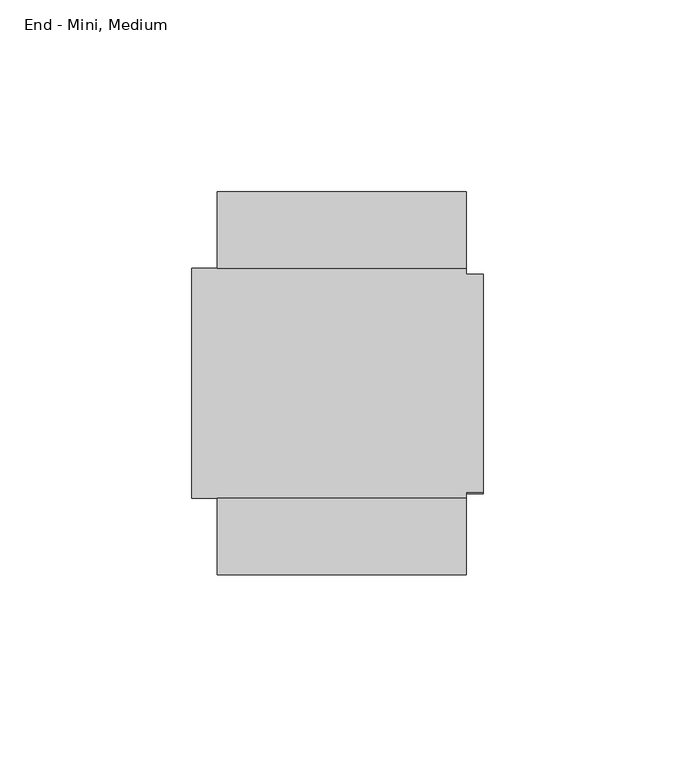
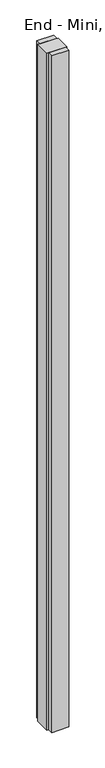
"""IFC4 building model written with IfcOpenShell, lengths in millimetres: furniture geometry, End - Mini, Medium."""

import ifcopenshell
import ifcopenshell.guid

model = None  # the IFC model being written
_history = None  # IfcOwnerHistory: only IFC2X3 demands one
_inside = {}  # id of a spatial element -> (the spatial element, [elements in it])
_under = {}  # id of a project, library or spatial element -> (it, [spatial elements below it])
_declared = {}  # id of a project -> (the project, [libraries it declares])
_typed = {}  # id of a type object -> (the type object, [elements of that type])
_made_of = {}  # id of a material, layer set ... -> (it, [elements and type objects made of it])


def new_model(schema):
    """Start an empty IFC model of exactly this schema.

    Asked for "IFC4X3", IfcOpenShell would pick the latest addendum, in which some entities
    have other attributes; the version numbers below select the first issue.
    IFC2X3 requires an IfcOwnerHistory on every rooted entity: one is made here for all.
    """
    global model, _history
    if schema == "IFC4X3":
        model = ifcopenshell.file(schema_version=(4, 3, 0, 0))
    else:
        model = ifcopenshell.file(schema=schema)
    _inside.clear()
    _under.clear()
    _declared.clear()
    _typed.clear()
    _made_of.clear()
    _history = None
    if model.schema == "IFC2X3":
        org = make("IfcOrganization", Name="unknown")
        user = make(
            "IfcPersonAndOrganization",
            ThePerson=make("IfcPerson", FamilyName="unknown"),
            TheOrganization=org,
        )
        app = make(
            "IfcApplication",
            ApplicationDeveloper=org,
            Version="unknown",
            ApplicationFullName="unknown",
            ApplicationIdentifier="unknown",
        )
        _history = make(
            "IfcOwnerHistory",
            OwningUser=user,
            OwningApplication=app,
            ChangeAction="ADDED",
            CreationDate=0,
        )
    return model


def make(cls, **values):
    """One entity of the class cls with the attributes given. An attribute that is None is left unset."""
    return model.create_entity(
        cls, **{name: value for name, value in values.items() if value is not None}
    )


def rooted(cls, **values):
    """An entity with a GlobalId (a new one), such as an element, a storey or a relation."""
    return make(cls, GlobalId=ifcopenshell.guid.new(), OwnerHistory=_history, **values)


def si_unit(unit_type, name, prefix=None):
    """IfcSIUnit, for example si_unit("LENGTHUNIT", "METRE", prefix="MILLI")."""
    return make("IfcSIUnit", UnitType=unit_type, Prefix=prefix, Name=name)


def assignment(units):
    """IfcUnitAssignment: the units of a project."""
    return None if units is None else make("IfcUnitAssignment", Units=units)


def point(xyz):
    """IfcCartesianPoint."""
    return None if xyz is None else make("IfcCartesianPoint", Coordinates=xyz)


def direction(xyz):
    """IfcDirection."""
    return None if xyz is None else make("IfcDirection", DirectionRatios=xyz)


def frame(location, z_axis=None, x_axis=None):
    """IfcAxis2Placement3D, a coordinate frame: its origin and axes. An axis left out is left unset."""
    return make(
        "IfcAxis2Placement3D",
        Location=point(location),
        Axis=direction(z_axis),
        RefDirection=direction(x_axis),
    )


def origin():
    """The frame at (0, 0, 0) with its axes left unset."""
    return frame((0.0, 0.0, 0.0))


def origin_with_axes():
    """The frame at (0, 0, 0) with the z axis (0, 0, 1) and the x axis (1, 0, 0) written out."""
    return frame((0.0, 0.0, 0.0), z_axis=(0.0, 0.0, 1.0), x_axis=(1.0, 0.0, 0.0))


def place(relative_to, where):
    """IfcLocalPlacement: puts the frame where relative to a parent placement (None: the world)."""
    return make(
        "IfcLocalPlacement", PlacementRelTo=relative_to, RelativePlacement=where
    )


def context(
    kind, dimensions, precision=None, world=None, true_north=None, identifier=None
):
    """IfcGeometricRepresentationContext, for example the 3D "Model" context."""
    return make(
        "IfcGeometricRepresentationContext",
        ContextIdentifier=identifier,
        ContextType=kind,
        CoordinateSpaceDimension=dimensions,
        Precision=precision,
        WorldCoordinateSystem=world,
        TrueNorth=true_north,
    )


def project(units=None, contexts=None):
    """IfcProject with its units and contexts."""
    return rooted(
        "IfcProject",
        Name="project",
        RepresentationContexts=contexts,
        UnitsInContext=assignment(units),
    )


def spatial(cls, under=None, at=None, **own):
    """A site, building, storey or space (cls), placed at a placement, below another one or the project."""
    s = rooted(cls, ObjectPlacement=at, **own)
    if under is not None:
        _under.setdefault(under.id(), (under, []))[1].append(s)
    return s


def polyline(points):
    """IfcPolyline through the points."""
    return make("IfcPolyline", Points=[point(p) for p in points])


def outline(outer, holes=None, kind="AREA"):
    """IfcArbitraryClosedProfileDef: a profile drawn as a closed curve; with holes, ...WithVoids."""
    if holes is None:
        return make("IfcArbitraryClosedProfileDef", ProfileType=kind, OuterCurve=outer)
    return make(
        "IfcArbitraryProfileDefWithVoids",
        ProfileType=kind,
        OuterCurve=outer,
        InnerCurves=holes,
    )


def extrude(swept, where, along, depth):
    """IfcExtrudedAreaSolid: the profile swept, set in the frame where, extruded along a direction by depth."""
    return make(
        "IfcExtrudedAreaSolid",
        SweptArea=swept,
        Position=where,
        ExtrudedDirection=direction(along),
        Depth=depth,
    )


def faces_of(points, faces, orient=None, outer=None):
    """IfcFace entities. A face is a list of loops; a loop is a list of indices into points, from 0.

    orient and outer hold one flag for each loop. By default every Orientation is true, the
    first loop of a face is its IfcFaceOuterBound and the others are IfcFaceBound.
    """
    made = []
    for i, loops in enumerate(faces):
        bounds = []
        for j, loop in enumerate(loops):
            is_outer = j == 0 if outer is None else outer[i][j]
            bounds.append(
                make(
                    "IfcFaceOuterBound" if is_outer else "IfcFaceBound",
                    Bound=make("IfcPolyLoop", Polygon=[points[k] for k in loop]),
                    Orientation=True if orient is None else orient[i][j],
                )
            )
        made.append(make("IfcFace", Bounds=bounds))
    return made


def faceted_brep(points, faces, orient=None, outer=None, voids=None):
    """IfcFacetedBrep: a solid bounded by flat faces; with voids (closed shells), ...WithVoids."""
    shared = [point(p) for p in points]
    hull = make("IfcClosedShell", CfsFaces=faces_of(shared, faces, orient, outer))
    if voids is None:
        return make("IfcFacetedBrep", Outer=hull)
    return make(
        "IfcFacetedBrepWithVoids",
        Outer=hull,
        Voids=[
            make(cls, CfsFaces=faces_of(shared, fs, o, b)) for cls, fs, o, b in voids
        ],
    )


def shape(context_of_items, identifier, shape_type, items):
    """IfcShapeRepresentation: the items that make up one representation, for example the "Body"."""
    return make(
        "IfcShapeRepresentation",
        ContextOfItems=context_of_items,
        RepresentationIdentifier=identifier,
        RepresentationType=shape_type,
        Items=items,
    )


def source(mapping_origin, context_of_items, identifier, shape_type, items):
    """IfcRepresentationMap: a shape defined once, which mapped items show again and again."""
    return make(
        "IfcRepresentationMap",
        MappingOrigin=mapping_origin,
        MappedRepresentation=shape(context_of_items, identifier, shape_type, items),
    )


def transform(
    local_origin,
    x_axis=None,
    y_axis=None,
    z_axis=None,
    scale=None,
    scale2=None,
    scale3=None,
    uniform=True,
):
    """IfcCartesianTransformationOperator3D, or its non-uniform kind. x_axis, y_axis, z_axis: its Axis1, 2, 3."""
    if uniform:
        return make(
            "IfcCartesianTransformationOperator3D",
            Axis1=direction(x_axis),
            Axis2=direction(y_axis),
            LocalOrigin=point(local_origin),
            Scale=scale,
            Axis3=direction(z_axis),
        )
    return make(
        "IfcCartesianTransformationOperator3DnonUniform",
        Axis1=direction(x_axis),
        Axis2=direction(y_axis),
        LocalOrigin=point(local_origin),
        Scale=scale,
        Axis3=direction(z_axis),
        Scale2=scale2,
        Scale3=scale3,
    )


def mapped(mapping_source, mapping_target):
    """IfcMappedItem: shows the shape of a source again, moved by a transform."""
    return make(
        "IfcMappedItem", MappingSource=mapping_source, MappingTarget=mapping_target
    )


def made_of(thing, what):
    """Note that an element or type object is made of a material, layer set ...; save() writes the relation."""
    if what is not None:
        _made_of.setdefault(what.id(), (what, []))[1].append(thing)
    return thing


def element(
    cls,
    number,
    at=None,
    inside=None,
    cuts=None,
    type_object=None,
    material=None,
    context=None,
    identifier="Body",
    shape_type=None,
    held_by="IfcProductDefinitionShape",
    body=None,
    shapes=None,
    **own,
):
    """One element of the class cls, such as IfcWall. Its Tag is "e" and its number.

    at: its placement. inside: the storey or other place that contains it. cuts: it is an
    opening in that element (IfcRelVoidsElement). A single representation is given by context,
    identifier, shape_type and body (its items); several are given by shapes. held_by: the class
    of the entity that holds the representations. save() writes the other relations.
    """
    e = rooted(cls, Tag="e%d" % number, ObjectPlacement=at, **own)
    if body is not None:
        shapes = [shape(context, identifier, shape_type, body)]
    if shapes is not None:
        e.Representation = make(held_by, Representations=shapes)
    if inside is not None:
        _inside.setdefault(inside.id(), (inside, []))[1].append(e)
    if cuts is not None:
        rooted(
            "IfcRelVoidsElement", RelatingBuildingElement=cuts, RelatedOpeningElement=e
        )
    if type_object is not None:
        _typed.setdefault(type_object.id(), (type_object, []))[1].append(e)
    return made_of(e, material)


def aggregate(whole, parts):
    """IfcRelAggregates: a whole, such as a stair, and the parts it consists of."""
    return rooted("IfcRelAggregates", RelatingObject=whole, RelatedObjects=parts)


def save(model, path):
    """Write the relations noted so far, then the file.

    IfcRelAggregates (storeys below a building ...), IfcRelContainedInSpatialStructure (elements
    in a storey), IfcRelDefinesByType, IfcRelAssociatesMaterial and IfcRelDeclares: one each for
    every whole, place, type object, material and project.
    """
    for whole, parts in _under.values():
        aggregate(whole, parts)
    for where, things in _inside.values():
        rooted(
            "IfcRelContainedInSpatialStructure",
            RelatedElements=things,
            RelatingStructure=where,
        )
    for kind, things in _typed.values():
        rooted("IfcRelDefinesByType", RelatedObjects=things, RelatingType=kind)
    for what, things in _made_of.values():
        rooted("IfcRelAssociatesMaterial", RelatedObjects=things, RelatingMaterial=what)
    for by, libraries in _declared.values():
        rooted("IfcRelDeclares", RelatingContext=by, RelatedDefinitions=libraries)
    model.write(path)


def end_mini_medium_18d17f9f(model_context):
    return source(origin(), model_context, "Body", "SolidModel", [
        extrude(outline(polyline([(-69.4944, -2236.0001), (-4.4958, -2236.0001), (-4.4958, -2255.9899), (-69.4944, -2255.9899), (-69.4944, -2236.0001)])), origin_with_axes(), (0.0, 0.0, 1.0), 2743.2),
        extrude(outline(polyline([(-4.4958, -2335.9999), (-69.4944, -2335.9999), (-69.4944, -2316.0101), (-4.4958, -2316.0101), (-4.4958, -2335.9999)])), origin_with_axes(), (0.0, 0.0, 1.0), 2743.2),
        faceted_brep([(-4.4958, -2255.9899, 2743.2), (-76.2, -2255.9899, 2743.2), (-76.2, -2316.0101, 2743.2), (-4.4958, -2316.0101, 2743.2), (-4.4958, -2314.448, 2743.2), (0.0, -2314.448, 2743.2), (0.0, -2257.552, 2743.2), (-4.4958, -2257.552, 2743.2), (-4.4958, -2316.0101, 0.0), (-76.2, -2316.0101, 0.0), (-76.2, -2255.9899, 0.0), (-4.4958, -2255.9899, 0.0), (-4.4958, -2257.552, 0.0), (0.0, -2257.552, 0.0), (0.0, -2314.448, 0.0), (-4.4958, -2314.448, 0.0), (-4.4958, -2257.552, 2688.082), (-4.4958, -2260.854, 2688.082), (-4.4958, -2260.854, 55.118), (-4.4958, -2257.552, 55.118), (-4.4958, -2314.448, 55.118), (-4.4958, -2311.146, 55.118), (-4.4958, -2311.146, 2688.082), (-4.4958, -2314.448, 2688.082), (0.0, -2260.854, 55.118), (0.0, -2260.854, 2688.082), (0.0, -2257.552, 2688.082), (0.0, -2314.448, 2688.082), (0.0, -2311.146, 2688.082), (0.0, -2311.146, 55.118), (0.0, -2314.448, 55.118), (0.0, -2257.552, 55.118)], [[[0, 1, 2, 3, 4, 5, 6, 7]], [[8, 9, 10, 11, 12, 13, 14, 15]], [[1, 0, 11, 10]], [[2, 1, 10, 9]], [[3, 2, 9, 8]], [[11, 0, 7, 16, 17, 18, 19, 12]], [[3, 8, 15, 20, 21, 22, 23, 4]], [[24, 25, 26, 6, 5, 27, 28, 29, 30, 14, 13, 31]], [[25, 24, 18, 17]], [[26, 25, 17, 16]], [[6, 26, 16, 7]], [[27, 5, 4, 23]], [[28, 27, 23, 22]], [[29, 28, 22, 21]], [[30, 29, 21, 20]], [[14, 30, 20, 15]], [[31, 13, 12, 19]], [[24, 31, 19, 18]]]),
    ])


if __name__ == "__main__":
    model = new_model("IFC4")
    model_context = context("Model", 3, world=origin())
    ifc_project = project(units=[si_unit("LENGTHUNIT", "METRE", prefix="MILLI")], contexts=[model_context])
    site = spatial("IfcSite", under=ifc_project)
    building = spatial("IfcBuilding", under=site)
    placement = place(None, origin())
    end_mini_medium_shape = end_mini_medium_18d17f9f(model_context)
    element("IfcFurniture", 1, ObjectType="End - Mini, Medium", at=placement, inside=building, context=model_context, shape_type="MappedRepresentation", body=[
        mapped(end_mini_medium_shape, transform((0.0, 0.0, 0.0), x_axis=(1.0, 0.0, 0.0), y_axis=(0.0, 1.0, 0.0), z_axis=(0.0, 0.0, 1.0))),
    ])
    save(model, "model.ifc")
